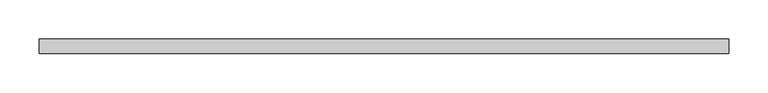
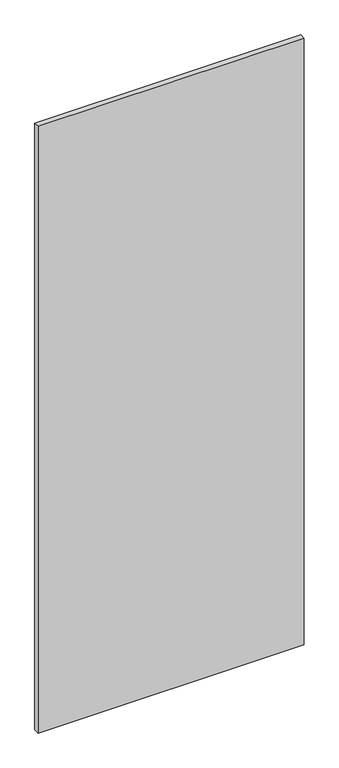
"""IFC4 building model written with IfcOpenShell, lengths in millimetres: proxy geometry."""

from ifc_helpers import new_model, si_unit, frame, origin, place, context, project, spatial, polyline, outline, extrude, source, transform, mapped, element, save


def specialty_equipment_04f5e21c(model_context):
    return source(origin(), model_context, "Body", "SweptSolid", [
        extrude(outline(polyline([(441.5309122, 9.525), (441.5309122, -9.525), (-441.5309122, -9.525), (-441.5309122, 9.525), (441.5309122, 9.525)])), frame((0.0, 0.0, 3.175), z_axis=(0.0, 0.0, 1.0), x_axis=(1.0, 0.0, 0.0)), (0.0, 0.0, 1.0), 2127.25),
    ])


if __name__ == "__main__":
    model = new_model("IFC4")
    model_context = context("Model", 3, world=origin())
    ifc_project = project(units=[si_unit("LENGTHUNIT", "METRE", prefix="MILLI")], contexts=[model_context])
    site = spatial("IfcSite", under=ifc_project)
    building = spatial("IfcBuilding", under=site)
    placement = place(None, origin())
    specialty_equipment_shape = specialty_equipment_04f5e21c(model_context)
    element("IfcBuildingElementProxy", 1, Name="Specialty Equipment", at=placement, inside=building, context=model_context, shape_type="MappedRepresentation", body=[
        mapped(specialty_equipment_shape, transform((0.0, 0.0, 0.0), x_axis=(1.0, 0.0, 0.0), y_axis=(0.0, 1.0, 0.0), z_axis=(0.0, 0.0, 1.0))),
    ])
    save(model, "model.ifc")
